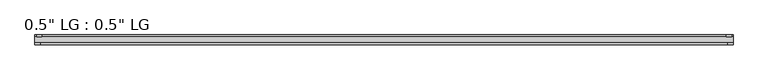
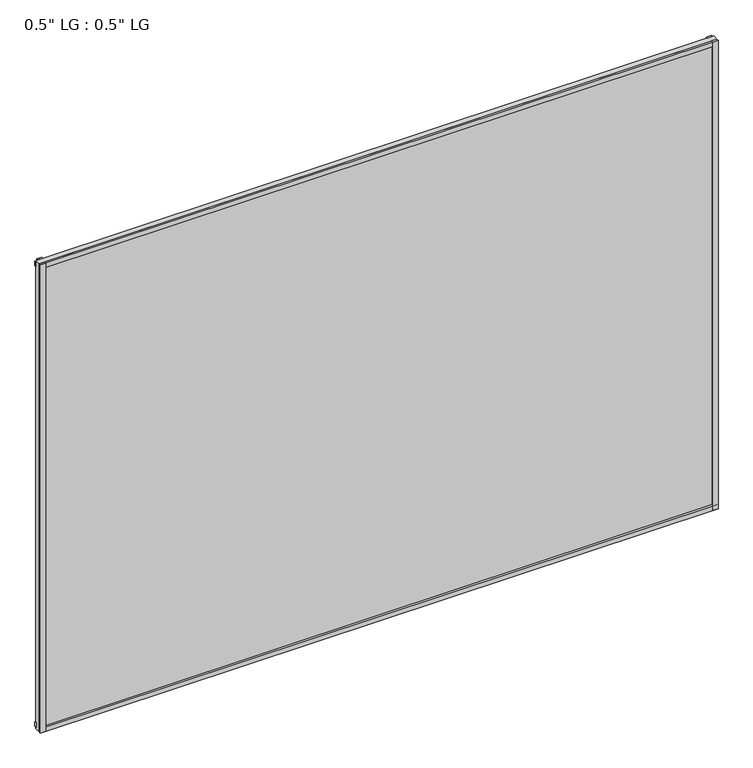
"""IFC4 building model written with IfcOpenShell, lengths in millimetres: plate geometry."""

from ifc_helpers import new_model, si_unit, frame, origin, origin_with_axes, place, context, project, spatial, polyline, outline, extrude, source, transform, mapped, element, save


def plate_169689ae(model_context):
    return source(origin(), model_context, "Body", "SweptSolid", [
        extrude(outline(polyline([(809.6581873, -33.3271813), (809.6581873, -38.0007813), (797.5205077, -38.0007813), (797.5205077, -33.3271813), (809.6581873, -33.3271813)])), origin_with_axes(), (0.0, 0.0, 1.0), 1181.7821763),
        extrude(outline(polyline([(806.1268336, -15.5217813), (806.1268336, -19.7127813), (794.1144097, -19.7127813), (794.1144097, -15.5217813), (806.1268336, -15.5217813)])), origin_with_axes(), (0.0, 0.0, 1.0), 1181.7821763),
        extrude(outline(polyline([(-797.3676093, -38.0007812), (-809.6581873, -38.0007812), (-809.6581873, -33.3271813), (-797.3676093, -33.3271813), (-797.3676093, -38.0007812)])), origin_with_axes(), (0.0, 0.0, 1.0), 1181.7821763),
        extrude(outline(polyline([(-793.4083713, -19.7127813), (-805.6989493, -19.7127813), (-805.6989493, -15.5217812), (-793.4083713, -15.5217812), (-793.4083713, -19.7127813)])), origin_with_axes(), (0.0, 0.0, 1.0), 1181.7821763),
        extrude(outline(polyline([(809.6581873, -33.3271813), (809.6581873, -38.0007813), (-809.6581873, -38.0007812), (-809.6581873, -33.3271813), (809.6581873, -33.3271813)])), origin_with_axes(), (0.0, 0.0, 1.0), 11.1693096),
        extrude(outline(polyline([(809.6581873, -15.3590708), (809.6581873, -20.1364307), (-809.6581873, -20.1364307), (-809.6581873, -15.3590708), (809.6581873, -15.3590708)])), frame((0.0, 0.0, 3.848913), z_axis=(0.0, 0.0, 1.0), x_axis=(1.0, 0.0, 0.0)), (0.0, 0.0, 1.0), 11.1693096),
        extrude(outline(polyline([(809.6581873, -33.3271813), (809.6581873, -38.0007813), (-809.6581873, -38.0007812), (-809.6581873, -33.3271813), (809.6581873, -33.3271813)])), frame((0.0, 0.0, 1170.6010704), z_axis=(0.0, 0.0, 1.0), x_axis=(1.0, 0.0, 0.0)), (0.0, 0.0, 1.0), 11.1811058),
        extrude(outline(polyline([(809.6581873, -15.5217813), (809.6581873, -19.7127813), (-809.6581873, -19.7127812), (-809.6581873, -15.5217813), (809.6581873, -15.5217813)])), frame((0.0, 0.0, 1166.0419237), z_axis=(0.0, 0.0, 1.0), x_axis=(1.0, 0.0, 0.0)), (0.0, 0.0, 1.0), 11.1811058),
        extrude(outline(polyline([(809.6581873, -33.3271812), (-809.6581873, -33.3271812), (-809.6581873, -19.7127812), (809.6581873, -19.7127812), (809.6581873, -33.3271812)])), origin_with_axes(), (0.0, 0.0, 1.0), 1181.7821763),
    ])


if __name__ == "__main__":
    model = new_model("IFC4")
    model_context = context("Model", 3, world=origin())
    ifc_project = project(units=[si_unit("LENGTHUNIT", "METRE", prefix="MILLI")], contexts=[model_context])
    site = spatial("IfcSite", under=ifc_project)
    building = spatial("IfcBuilding", under=site)
    placement = place(None, origin())
    plate_shape = plate_169689ae(model_context)
    element("IfcPlate", 1, ObjectType="0.5\" LG : 0.5\" LG", at=placement, inside=building, context=model_context, shape_type="MappedRepresentation", body=[
        mapped(plate_shape, transform((0.0, 0.0, 0.0), x_axis=(1.0, 0.0, 0.0), y_axis=(0.0, 1.0, 0.0), z_axis=(0.0, 0.0, 1.0))),
    ])
    save(model, "model.ifc")
